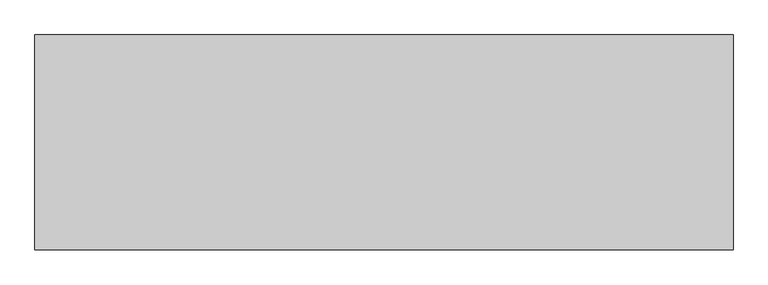
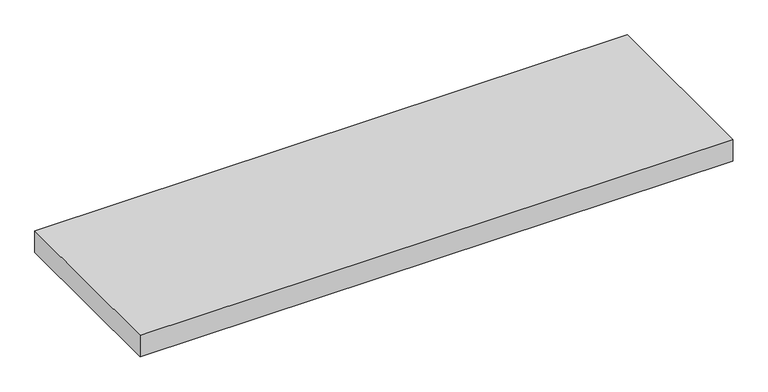
"""IFC4 building model written with IfcOpenShell, lengths in millimetres: proxy geometry."""

from ifc_helpers import new_model, si_unit, origin, origin_with_axes, place, context, project, spatial, polyline, outline, extrude, source, transform, mapped, element, save


def generic_models_5bc79d5b(model_context):
    return source(origin(), model_context, "Body", "SweptSolid", [
        extrude(outline(polyline([(0.0, 400.0), (1300.0, 400.0), (1300.0, 0.0), (0.0, 0.0), (0.0, 400.0)])), origin_with_axes(), (0.0, 0.0, 1.0), 50.0),
    ])


if __name__ == "__main__":
    model = new_model("IFC4")
    model_context = context("Model", 3, world=origin())
    ifc_project = project(units=[si_unit("LENGTHUNIT", "METRE", prefix="MILLI")], contexts=[model_context])
    site = spatial("IfcSite", under=ifc_project)
    building = spatial("IfcBuilding", under=site)
    placement = place(None, origin())
    generic_models_shape = generic_models_5bc79d5b(model_context)
    element("IfcBuildingElementProxy", 1, Name="Generic Models", at=placement, inside=building, context=model_context, shape_type="MappedRepresentation", body=[
        mapped(generic_models_shape, transform((0.0, 0.0, 0.0), x_axis=(1.0, 0.0, 0.0), y_axis=(0.0, 1.0, 0.0), z_axis=(0.0, 0.0, 1.0))),
    ])
    save(model, "model.ifc")
